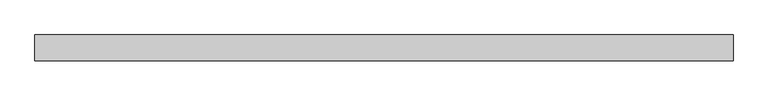
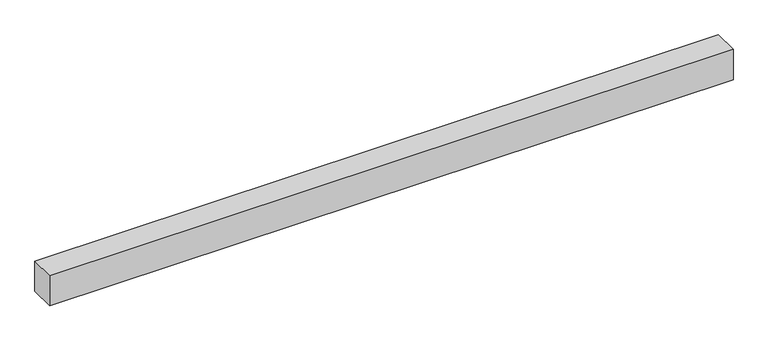
"""IFC4 building model written with IfcOpenShell, lengths in millimetres: proxy geometry."""

from ifc_helpers import new_model, si_unit, origin, origin_with_axes, place, context, project, spatial, polyline, outline, extrude, source, transform, mapped, element, save


def generic_models_a31f641f(model_context):
    return source(origin(), model_context, "Body", "SweptSolid", [
        extrude(outline(polyline([(2150.0, -40.0), (0.0, -40.0), (0.0, 40.0), (2150.0, 40.0), (2150.0, -40.0)])), origin_with_axes(), (0.0, 0.0, 1.0), 100.0),
    ])


if __name__ == "__main__":
    model = new_model("IFC4")
    model_context = context("Model", 3, world=origin())
    ifc_project = project(units=[si_unit("LENGTHUNIT", "METRE", prefix="MILLI")], contexts=[model_context])
    site = spatial("IfcSite", under=ifc_project)
    building = spatial("IfcBuilding", under=site)
    placement = place(None, origin())
    generic_models_shape = generic_models_a31f641f(model_context)
    element("IfcBuildingElementProxy", 1, Name="Generic Models", at=placement, inside=building, context=model_context, shape_type="MappedRepresentation", body=[
        mapped(generic_models_shape, transform((0.0, 0.0, 0.0), x_axis=(1.0, 0.0, 0.0), y_axis=(0.0, 1.0, 0.0), z_axis=(0.0, 0.0, 1.0))),
    ])
    save(model, "model.ifc")
